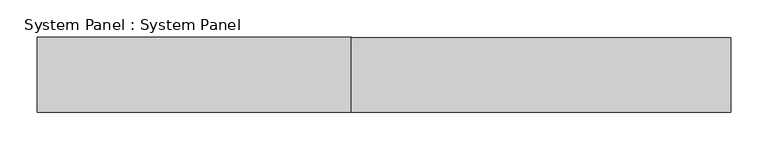
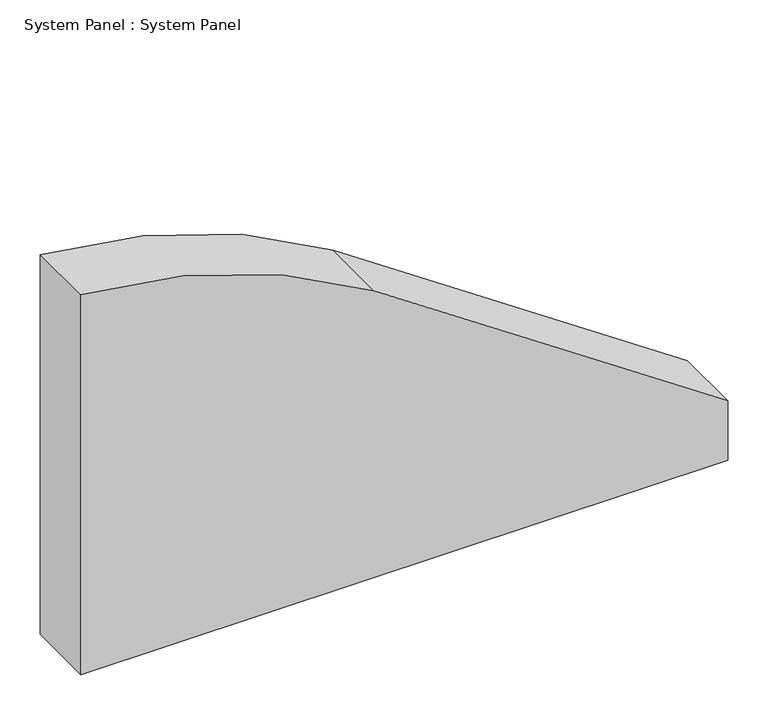
"""IFC4 building model written with IfcOpenShell, lengths in millimetres: plate geometry, System Panel : System Panel."""

from ifc_helpers import new_model, si_unit, point, frame, frame_2d, origin, place, context, project, spatial, polyline, circle_curve, trimmed, segment, composite_curve, outline, extrude, source, transform, mapped, element, save


def system_panel_system_panel_27bfc4e9(model_context):
    return source(origin(), model_context, "Body", "SweptSolid", [
        extrude(outline(composite_curve([segment(polyline([(0.0, 462.5), (89.9353105, 462.5)]), True, "CONTINUOUS"), segment(trimmed(circle_curve(frame_2d((-11167.4463996, -7553.903831)), 13819.9628563), [point((89.9353105, 462.5))], [point((433.8550991, -43.8321346))], False, "CARTESIAN"), True, "CONTINUOUS"), segment(trimmed(circle_curve(frame_2d((-312.1035079, -526.7264566)), 888.6175609), [point((433.8550991, -43.8321346))], [point((574.1899716, -462.5))], False, "CARTESIAN"), True, "CONTINUOUS"), segment(polyline([(574.1899716, -462.5), (0.0, -462.5), (0.0, 462.5)]), True, "CONTINUOUS")], self_intersect=False)), frame((0.0, -50.0, 0.0), z_axis=(0.0, 1.0, 0.0), x_axis=(0.0, 0.0, 1.0)), (0.0, 0.0, 1.0), 100.0),
    ])


if __name__ == "__main__":
    model = new_model("IFC4")
    model_context = context("Model", 3, world=origin())
    ifc_project = project(units=[si_unit("LENGTHUNIT", "METRE", prefix="MILLI")], contexts=[model_context])
    site = spatial("IfcSite", under=ifc_project)
    building = spatial("IfcBuilding", under=site)
    placement = place(None, origin())
    system_panel_system_panel_shape = system_panel_system_panel_27bfc4e9(model_context)
    element("IfcPlate", 1, ObjectType="System Panel : System Panel", at=placement, inside=building, context=model_context, shape_type="MappedRepresentation", body=[
        mapped(system_panel_system_panel_shape, transform((0.0, 0.0, 0.0), x_axis=(1.0, 0.0, 0.0), y_axis=(0.0, 1.0, 0.0), z_axis=(0.0, 0.0, 1.0))),
    ])
    save(model, "model.ifc")
